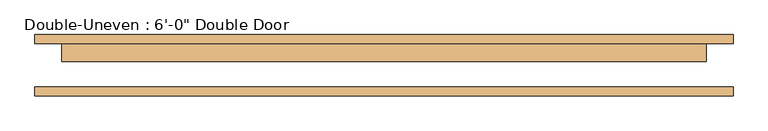
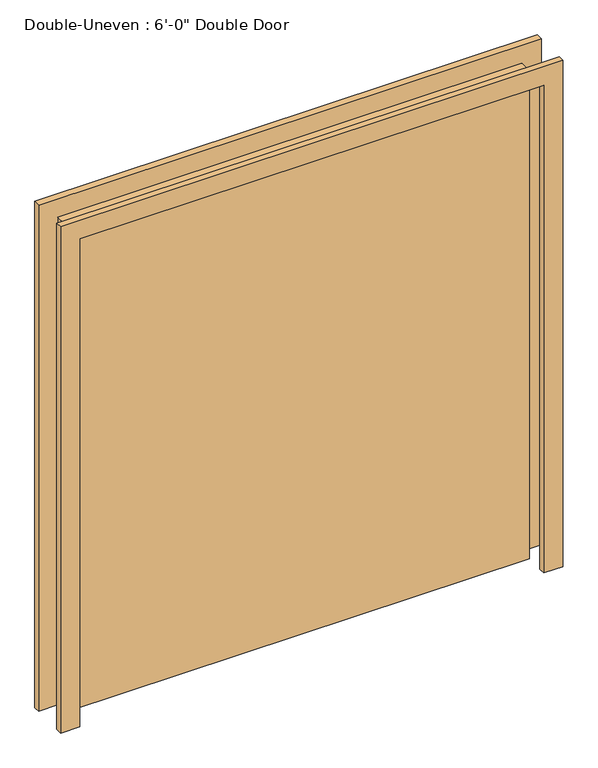
"""IFC4 building model written with IfcOpenShell, lengths in millimetres: door geometry."""

from ifc_helpers import new_model, si_unit, frame, origin, origin_with_axes, place, context, project, spatial, polyline, outline, extrude, source, transform, mapped, element, save


def door_0b085ab8(model_context):
    return source(origin(), model_context, "Body", "SweptSolid", [
        extrude(outline(polyline([(101.6, 61.9125), (101.6, 11.1125), (-1727.2, 11.1125), (-1727.2, 61.9125), (101.6, 61.9125)])), origin_with_axes(), (0.0, 0.0, 1.0), 2032.0),
        extrude(outline(polyline([(2032.0, -1727.2), (2032.0, 101.6), (0.0, 101.6), (0.0, 177.8), (2108.2, 177.8), (2108.2, -1803.4), (0.0, -1803.4), (0.0, -1727.2), (2032.0, -1727.2)])), frame((0.0, -87.3125, 0.0), z_axis=(0.0, 1.0, 0.0), x_axis=(0.0, 0.0, 1.0)), (0.0, 0.0, 1.0), 25.4),
        extrude(outline(polyline([(2032.0, -1727.2), (2032.0, 101.6), (0.0, 101.6), (0.0, 177.8), (2108.2, 177.8), (2108.2, -1803.4), (0.0, -1803.4), (0.0, -1727.2), (2032.0, -1727.2)])), frame((0.0, 61.9125, 0.0), z_axis=(0.0, 1.0, 0.0), x_axis=(0.0, 0.0, 1.0)), (0.0, 0.0, 1.0), 25.4),
    ])


if __name__ == "__main__":
    model = new_model("IFC4")
    model_context = context("Model", 3, world=origin())
    ifc_project = project(units=[si_unit("LENGTHUNIT", "METRE", prefix="MILLI")], contexts=[model_context])
    site = spatial("IfcSite", under=ifc_project)
    building = spatial("IfcBuilding", under=site)
    placement = place(None, origin())
    door_shape = door_0b085ab8(model_context)
    element("IfcDoor", 1, ObjectType="Double-Uneven : 6'-0\" Double Door", at=placement, inside=building, context=model_context, shape_type="MappedRepresentation", body=[
        mapped(door_shape, transform((0.0, 0.0, 0.0), x_axis=(1.0, 0.0, 0.0), y_axis=(0.0, 1.0, 0.0), z_axis=(0.0, 0.0, 1.0))),
    ])
    save(model, "model.ifc")
